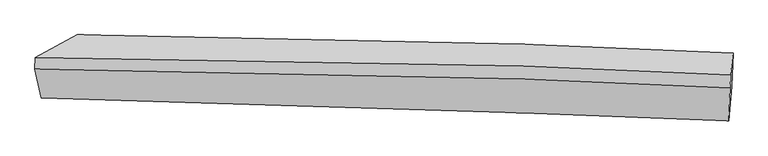
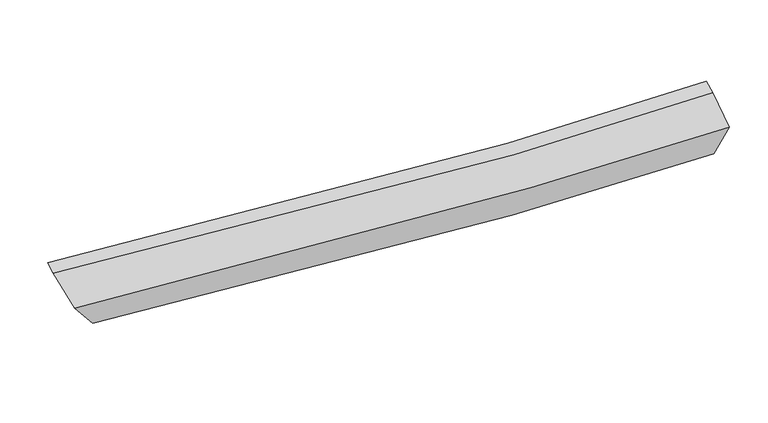
"""IFC4 building model written with IfcOpenShell, lengths in millimetres: proxy geometry."""

from ifc_helpers import new_model, si_unit, frame, origin, place, context, project, spatial, source, transform, mapped, element, save
from ifc_brep_helpers import plane_surface, spline_curve, spline_surface, advanced_brep


def generic_models_ff105205(model_context):
    return source(origin(), model_context, "Body", "AdvancedBrep", [
        advanced_brep(
        [(-3720.614603, -1965.6215016, 2814.1570051), (-3721.7047229, -1578.113791, 2997.6756824), (3886.6925465, -1788.9162586, 2743.4365447), (3872.691483, -2181.1645512, 2514.7066763), (-4141.2555338, -2314.1522826, 3370.9222178), (3838.3623302, -2578.1863222, 3114.3692669), (-4213.8864599, -1978.2765183, 3652.7167375), (3852.0788314, -2196.1641497, 3333.8186632), (-4208.4325703, -1842.3847803, 3707.081664), (3858.036741, -2047.714009, 3393.2077115)],
        [
            (0, 1),
            (1, 2, spline_curve(3, [(-3721.7047229, -1578.113791, 2997.6756824), (-2082.105054087, -1583.625567563, 2818.683691061), (-363.477414497, -1618.930968727, 2722.944701187), (2235.961903058, -1713.065220158, 2704.889759314), (3053.466686288, -1748.027308549, 2715.882369519), (3886.6925465, -1788.9162586, 2743.4365447)], [4, 2, 4], [0.0, 17.275604905986533, 24.98080630264102])),
            (2, 3),
            (3, 0, spline_curve(3, [(3872.691483, -2181.1645512, 2514.7066763), (3037.045247973, -2145.796019401, 2498.508196552), (2218.345224947, -2114.501268095, 2496.802446359), (-380.997169578, -2026.248959844, 2538.258736425), (-2093.399175571, -1985.696028031, 2639.781262699), (-3720.614603, -1965.6215016, 2814.1570051)], [4, 2, 4], [0.0, 7.705201396654488, 24.98080630264102])),
            (4, 0),
            (3, 5),
            (5, 4, spline_curve(3, [(3838.3623302, -2578.1863222, 3114.3692669), (3042.240251035, -2545.867715293, 3100.015412734), (2238.622354235, -2515.14437271, 3098.224929216), (-391.065507787, -2420.709088054, 3133.151389824), (-2247.320232348, -2363.421084488, 3220.459523484), (-4141.2555338, -2314.1522826, 3370.9222178)], [4, 2, 4], [0.0, 7.89194882674397, 25.586254640514053])),
            (6, 4),
            (5, 7),
            (7, 6, spline_curve(3, [(3852.0788314, -2196.1641497, 3333.8186632), (3061.495524112, -2156.420718304, 3303.177726234), (2258.969679406, -2122.026129261, 3292.100962318), (-381.594250482, -2027.857771239, 3319.617739801), (-2267.723503121, -1989.623149674, 3436.993861798), (-4213.8864599, -1978.2765183, 3652.7167375)], [4, 2, 4], [0.0, 8.13233650310352, 26.36560843953184])),
            (8, 6),
            (7, 9),
            (9, 8, spline_curve(3, [(3858.036741, -2047.714009, 3393.2077115), (3067.476546696, -2007.394685197, 3362.797166559), (2264.950701873, -1973.000096244, 3351.720402329), (-375.688161883, -1880.69882205, 3378.490233313), (-2261.985421423, -1846.650334648, 3494.191648371), (-4208.4325703, -1842.3847803, 3707.081664)], [4, 2, 4], [0.0, 8.178887232481149, 26.51652918695502])),
            (1, 8),
            (9, 2),
        ],
        [
            spline_surface(3, 3, [[(-3720.614603, -1965.6215016, 2814.1570051), (-2093.399175574, -1985.696028047, 2639.781262491), (-380.997169852, -2026.248959827, 2538.258736188), (2218.345225069, -2114.501268103, 2496.802446464), (3037.045247962, -2145.796019514, 2498.50819653), (3872.691483, -2181.1645512, 2514.7066763)], [(-3720.977976278, -1836.452264732, 2875.329897513), (-2089.634468471, -1851.672541218, 2699.415405342), (-375.157251351, -1890.476296056, 2599.8207246), (2224.217451066, -1980.689252165, 2566.164884041), (3042.519060703, -2013.206449185, 2570.966254229), (3877.358504149, -2050.415120334, 2590.949965763)], [(-3721.341349622, -1707.283027868, 2936.502789987), (-2085.869761435, -1717.649054392, 2759.049548253), (-369.317332897, -1754.70363226, 2661.382713021), (2230.089677016, -1846.877236202, 2635.527321627), (3047.992873497, -1880.616878852, 2643.424311938), (3882.025525351, -1919.665689466, 2667.193255237)], [(-3721.7047229, -1578.113791, 2997.6756824), (-2082.105054332, -1583.625567562, 2818.683691103), (-363.477414397, -1618.930968489, 2722.944701433), (2235.961903013, -1713.065220264, 2704.889759204), (3053.466686238, -1748.027308523, 2715.882369637), (3886.6925465, -1788.9162586, 2743.4365447)]], [4, 4], [4, 2, 4], [0.0, 1.466864263363112], [0.0, 17.275604905986533, 24.98080630264102]),
            spline_surface(3, 3, [[(-4141.2555338, -2314.1522826, 3370.9222178), (-2247.320232354, -2363.421084273, 3220.459523628), (-391.065507752, -2420.709088161, 3133.151389912), (2238.622354219, -2515.144372662, 3098.224929177), (3042.240250953, -2545.867715285, 3100.015412615), (3838.3623302, -2578.1863222, 3114.3692669)], [(-4001.041890226, -2197.975355589, 3185.333813566), (-2196.013213453, -2237.512732187, 3026.900103249), (-387.709395121, -2289.22237871, 2934.853838664), (2231.863311167, -2381.596671136, 2897.750768266), (3040.508583291, -2412.510483345, 2899.513007249), (3849.805381135, -2445.84573185, 2914.481736696)], [(-3860.828246574, -2081.798428611, 2999.745409334), (-2144.706194475, -2111.604380133, 2833.34068287), (-384.353282483, -2157.735669278, 2736.556287436), (2225.104268122, -2248.048969629, 2697.276607375), (3038.776915624, -2279.153251454, 2699.010601896), (3861.248432065, -2313.50514155, 2714.594206504)], [(-3720.614603, -1965.6215016, 2814.1570051), (-2093.399175574, -1985.696028047, 2639.781262491), (-380.997169852, -2026.248959827, 2538.258736188), (2218.345225069, -2114.501268103, 2496.802446464), (3037.045247962, -2145.796019514, 2498.50819653), (3872.691483, -2181.1645512, 2514.7066763)]], [4, 4], [4, 2, 4], [0.0, 2.336717752541889], [0.0, 17.694305813770082, 25.586254640514053]),
            spline_surface(3, 3, [[(-4213.8864599, -1978.2765183, 3652.7167375), (-2267.72350334, -1989.623149496, 3436.99386205), (-381.59425077, -2027.857770999, 3319.617739905), (2258.969679535, -2122.026129368, 3292.100962272), (3061.495524058, -2156.420718314, 3303.177726318), (3852.0788314, -2196.1641497, 3333.8186632)], [(-4189.676151171, -2090.23510641, 3558.785230932), (-2260.922412982, -2114.222461099, 3364.815749242), (-384.751336417, -2158.808210037, 3257.462289908), (2252.187237776, -2253.065543783, 3227.475617908), (3055.077099714, -2286.236383984, 3235.456955072), (3847.506664358, -2323.504873879, 3260.668864422)], [(-4165.465842529, -2202.19369449, 3464.853724368), (-2254.121322712, -2238.82177267, 3292.637636437), (-387.908422104, -2289.758649123, 3195.306839909), (2245.404795978, -2384.104958246, 3162.850273541), (3048.658675297, -2416.052049616, 3167.736183861), (3842.934497242, -2450.845598021, 3187.519065678)], [(-4141.2555338, -2314.1522826, 3370.9222178), (-2247.320232354, -2363.421084273, 3220.459523628), (-391.065507752, -2420.709088161, 3133.151389912), (2238.622354219, -2515.144372662, 3098.224929177), (3042.240250953, -2545.867715285, 3100.015412615), (3838.3623302, -2578.1863222, 3114.3692669)]], [4, 4], [4, 2, 4], [0.0, 1.4270265145112417], [0.0, 18.23327193642832, 26.36560843953184]),
            spline_surface(3, 3, [[(-4208.4325703, -1842.3847803, 3707.081664), (-2261.985421246, -1846.65033463, 3494.191648213), (-375.688162055, -1880.698822003, 3378.490233253), (2264.950701949, -1973.000096265, 3351.720402356), (3067.476546573, -2007.394685111, 3362.797166502), (3858.036741, -2047.714009, 3393.2077115)], [(-4210.250533522, -1887.682026288, 3688.96002185), (-2263.8981153, -1894.307939574, 3475.125719509), (-377.656858322, -1929.751805025, 3358.866068796), (2262.957027783, -2022.675440655, 3331.847255655), (3065.482872406, -2057.070029502, 3342.924019801), (3856.050771138, -2097.197389223, 3373.411362093)], [(-4212.068496678, -1932.979272312, 3670.83837965), (-2265.810809286, -1941.965544553, 3456.059790754), (-379.625554503, -1978.804787977, 3339.241904361), (2260.963353701, -2072.350784977, 3311.974108974), (3063.489198225, -2106.745373923, 3323.05087302), (3854.064801262, -2146.680769477, 3353.615012607)], [(-4213.8864599, -1978.2765183, 3652.7167375), (-2267.72350334, -1989.623149496, 3436.99386205), (-381.59425077, -2027.857770999, 3319.617739905), (2258.969679535, -2122.026129368, 3292.100962272), (3061.495524058, -2156.420718314, 3303.177726318), (3852.0788314, -2196.1641497, 3333.8186632)]], [4, 4], [4, 2, 4], [0.0, 0.5187840901987205], [0.0, 18.33764195447387, 26.51652918695502]),
            spline_surface(3, 3, [[(-3721.7047229, -1578.113791, 2997.6756824), (-2082.105054332, -1583.625567562, 2818.683691103), (-363.477414397, -1618.930968489, 2722.944701433), (2235.961903013, -1713.065220264, 2704.889759204), (3053.466686238, -1748.027308523, 2715.882369637), (3886.6925465, -1788.9162586, 2743.4365447)], [(-3883.947338704, -1666.20412078, 3234.144342938), (-2142.06517664, -1671.300489932, 3043.853010144), (-367.547663614, -1706.18691965, 2941.459878723), (2245.624835994, -1799.710178921, 2920.499973604), (3058.13663967, -1834.483100732, 2931.520635251), (3877.14061132, -1875.182175413, 2960.026933626)], [(-4046.189954496, -1754.29445052, 3470.613003462), (-2202.025298938, -1758.975412261, 3269.022329172), (-371.617912837, -1793.442870841, 3159.975055963), (2255.287768969, -1886.355137608, 3136.110187956), (3062.806593142, -1920.938892902, 3147.158900888), (3867.58867618, -1961.448092187, 3176.617322574)], [(-4208.4325703, -1842.3847803, 3707.081664), (-2261.985421246, -1846.65033463, 3494.191648213), (-375.688162055, -1880.698822003, 3378.490233253), (2264.950701949, -1973.000096265, 3351.720402356), (3067.476546573, -2007.394685111, 3362.797166502), (3858.036741, -2047.714009, 3393.2077115)]], [4, 4], [4, 2, 4], [0.0, 2.325877938263989], [0.0, 17.81502064689102, 25.760810256972086]),
            plane_surface(frame((3861.5723864, -2158.4290582, 3019.9077725), z_axis=(0.9984676177812118, -0.04975999000076271, 0.024214863977232125), x_axis=(-0.03111869226604322, -0.8666955455294126, -0.4978659039853253))),
            plane_surface(frame((-4001.178778, -1935.7097748, 3308.5106614), z_axis=(-0.8403209742466415, 0.23008944651531563, -0.4908355191339063), x_axis=(0.002542443205591472, -0.9037688477060755, -0.42801332444046536))),
        ],
        [
            (0, [[1, 2, 3, 4]]),
            (1, [[5, -4, 6, 7]]),
            (2, [[8, -7, 9, 10]]),
            (3, [[11, -10, 12, 13]]),
            (4, [[14, -13, 15, -2]]),
            (5, [[-9, -6, -3, -15, -12]]),
            (6, [[-1, -5, -8, -11, -14]]),
        ],
    ),
    ])


if __name__ == "__main__":
    model = new_model("IFC4")
    model_context = context("Model", 3, world=origin())
    ifc_project = project(units=[si_unit("LENGTHUNIT", "METRE", prefix="MILLI")], contexts=[model_context])
    site = spatial("IfcSite", under=ifc_project)
    building = spatial("IfcBuilding", under=site)
    placement = place(None, origin())
    generic_models_shape = generic_models_ff105205(model_context)
    element("IfcBuildingElementProxy", 1, Name="Generic Models", at=placement, inside=building, context=model_context, shape_type="MappedRepresentation", body=[
        mapped(generic_models_shape, transform((0.0, 0.0, 0.0), x_axis=(1.0, 0.0, 0.0), y_axis=(0.0, 1.0, 0.0), z_axis=(0.0, 0.0, 1.0))),
    ])
    save(model, "model.ifc")
